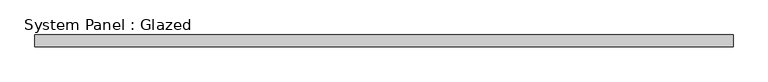
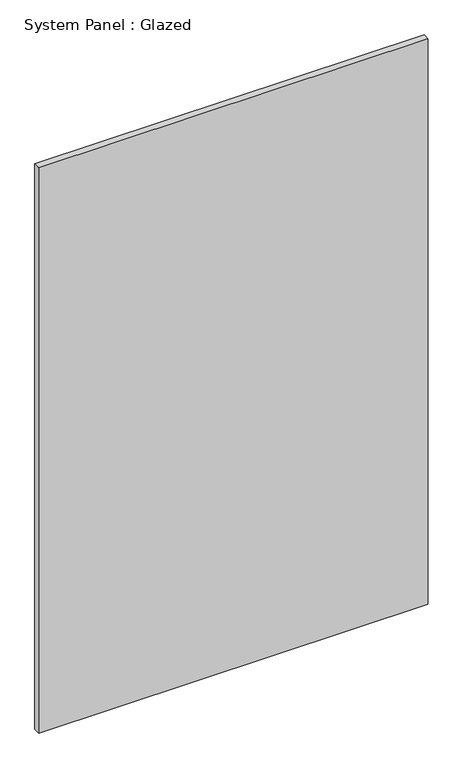
"""IFC4 building model written with IfcOpenShell, lengths in millimetres: plate geometry, System Panel : Glazed."""

import ifcopenshell
import ifcopenshell.guid

model = None  # the IFC model being written
_history = None  # IfcOwnerHistory: only IFC2X3 demands one
_inside = {}  # id of a spatial element -> (the spatial element, [elements in it])
_under = {}  # id of a project, library or spatial element -> (it, [spatial elements below it])
_declared = {}  # id of a project -> (the project, [libraries it declares])
_typed = {}  # id of a type object -> (the type object, [elements of that type])
_made_of = {}  # id of a material, layer set ... -> (it, [elements and type objects made of it])


def new_model(schema):
    """Start an empty IFC model of exactly this schema.

    Asked for "IFC4X3", IfcOpenShell would pick the latest addendum, in which some entities
    have other attributes; the version numbers below select the first issue.
    IFC2X3 requires an IfcOwnerHistory on every rooted entity: one is made here for all.
    """
    global model, _history
    if schema == "IFC4X3":
        model = ifcopenshell.file(schema_version=(4, 3, 0, 0))
    else:
        model = ifcopenshell.file(schema=schema)
    _inside.clear()
    _under.clear()
    _declared.clear()
    _typed.clear()
    _made_of.clear()
    _history = None
    if model.schema == "IFC2X3":
        org = make("IfcOrganization", Name="unknown")
        user = make(
            "IfcPersonAndOrganization",
            ThePerson=make("IfcPerson", FamilyName="unknown"),
            TheOrganization=org,
        )
        app = make(
            "IfcApplication",
            ApplicationDeveloper=org,
            Version="unknown",
            ApplicationFullName="unknown",
            ApplicationIdentifier="unknown",
        )
        _history = make(
            "IfcOwnerHistory",
            OwningUser=user,
            OwningApplication=app,
            ChangeAction="ADDED",
            CreationDate=0,
        )
    return model


def make(cls, **values):
    """One entity of the class cls with the attributes given. An attribute that is None is left unset."""
    return model.create_entity(
        cls, **{name: value for name, value in values.items() if value is not None}
    )


def rooted(cls, **values):
    """An entity with a GlobalId (a new one), such as an element, a storey or a relation."""
    return make(cls, GlobalId=ifcopenshell.guid.new(), OwnerHistory=_history, **values)


def si_unit(unit_type, name, prefix=None):
    """IfcSIUnit, for example si_unit("LENGTHUNIT", "METRE", prefix="MILLI")."""
    return make("IfcSIUnit", UnitType=unit_type, Prefix=prefix, Name=name)


def assignment(units):
    """IfcUnitAssignment: the units of a project."""
    return None if units is None else make("IfcUnitAssignment", Units=units)


def point(xyz):
    """IfcCartesianPoint."""
    return None if xyz is None else make("IfcCartesianPoint", Coordinates=xyz)


def direction(xyz):
    """IfcDirection."""
    return None if xyz is None else make("IfcDirection", DirectionRatios=xyz)


def frame(location, z_axis=None, x_axis=None):
    """IfcAxis2Placement3D, a coordinate frame: its origin and axes. An axis left out is left unset."""
    return make(
        "IfcAxis2Placement3D",
        Location=point(location),
        Axis=direction(z_axis),
        RefDirection=direction(x_axis),
    )


def origin():
    """The frame at (0, 0, 0) with its axes left unset."""
    return frame((0.0, 0.0, 0.0))


def origin_with_axes():
    """The frame at (0, 0, 0) with the z axis (0, 0, 1) and the x axis (1, 0, 0) written out."""
    return frame((0.0, 0.0, 0.0), z_axis=(0.0, 0.0, 1.0), x_axis=(1.0, 0.0, 0.0))


def place(relative_to, where):
    """IfcLocalPlacement: puts the frame where relative to a parent placement (None: the world)."""
    return make(
        "IfcLocalPlacement", PlacementRelTo=relative_to, RelativePlacement=where
    )


def context(
    kind, dimensions, precision=None, world=None, true_north=None, identifier=None
):
    """IfcGeometricRepresentationContext, for example the 3D "Model" context."""
    return make(
        "IfcGeometricRepresentationContext",
        ContextIdentifier=identifier,
        ContextType=kind,
        CoordinateSpaceDimension=dimensions,
        Precision=precision,
        WorldCoordinateSystem=world,
        TrueNorth=true_north,
    )


def project(units=None, contexts=None):
    """IfcProject with its units and contexts."""
    return rooted(
        "IfcProject",
        Name="project",
        RepresentationContexts=contexts,
        UnitsInContext=assignment(units),
    )


def spatial(cls, under=None, at=None, **own):
    """A site, building, storey or space (cls), placed at a placement, below another one or the project."""
    s = rooted(cls, ObjectPlacement=at, **own)
    if under is not None:
        _under.setdefault(under.id(), (under, []))[1].append(s)
    return s


def polyline(points):
    """IfcPolyline through the points."""
    return make("IfcPolyline", Points=[point(p) for p in points])


def outline(outer, holes=None, kind="AREA"):
    """IfcArbitraryClosedProfileDef: a profile drawn as a closed curve; with holes, ...WithVoids."""
    if holes is None:
        return make("IfcArbitraryClosedProfileDef", ProfileType=kind, OuterCurve=outer)
    return make(
        "IfcArbitraryProfileDefWithVoids",
        ProfileType=kind,
        OuterCurve=outer,
        InnerCurves=holes,
    )


def extrude(swept, where, along, depth):
    """IfcExtrudedAreaSolid: the profile swept, set in the frame where, extruded along a direction by depth."""
    return make(
        "IfcExtrudedAreaSolid",
        SweptArea=swept,
        Position=where,
        ExtrudedDirection=direction(along),
        Depth=depth,
    )


def shape(context_of_items, identifier, shape_type, items):
    """IfcShapeRepresentation: the items that make up one representation, for example the "Body"."""
    return make(
        "IfcShapeRepresentation",
        ContextOfItems=context_of_items,
        RepresentationIdentifier=identifier,
        RepresentationType=shape_type,
        Items=items,
    )


def source(mapping_origin, context_of_items, identifier, shape_type, items):
    """IfcRepresentationMap: a shape defined once, which mapped items show again and again."""
    return make(
        "IfcRepresentationMap",
        MappingOrigin=mapping_origin,
        MappedRepresentation=shape(context_of_items, identifier, shape_type, items),
    )


def transform(
    local_origin,
    x_axis=None,
    y_axis=None,
    z_axis=None,
    scale=None,
    scale2=None,
    scale3=None,
    uniform=True,
):
    """IfcCartesianTransformationOperator3D, or its non-uniform kind. x_axis, y_axis, z_axis: its Axis1, 2, 3."""
    if uniform:
        return make(
            "IfcCartesianTransformationOperator3D",
            Axis1=direction(x_axis),
            Axis2=direction(y_axis),
            LocalOrigin=point(local_origin),
            Scale=scale,
            Axis3=direction(z_axis),
        )
    return make(
        "IfcCartesianTransformationOperator3DnonUniform",
        Axis1=direction(x_axis),
        Axis2=direction(y_axis),
        LocalOrigin=point(local_origin),
        Scale=scale,
        Axis3=direction(z_axis),
        Scale2=scale2,
        Scale3=scale3,
    )


def mapped(mapping_source, mapping_target):
    """IfcMappedItem: shows the shape of a source again, moved by a transform."""
    return make(
        "IfcMappedItem", MappingSource=mapping_source, MappingTarget=mapping_target
    )


def made_of(thing, what):
    """Note that an element or type object is made of a material, layer set ...; save() writes the relation."""
    if what is not None:
        _made_of.setdefault(what.id(), (what, []))[1].append(thing)
    return thing


def element(
    cls,
    number,
    at=None,
    inside=None,
    cuts=None,
    type_object=None,
    material=None,
    context=None,
    identifier="Body",
    shape_type=None,
    held_by="IfcProductDefinitionShape",
    body=None,
    shapes=None,
    **own,
):
    """One element of the class cls, such as IfcWall. Its Tag is "e" and its number.

    at: its placement. inside: the storey or other place that contains it. cuts: it is an
    opening in that element (IfcRelVoidsElement). A single representation is given by context,
    identifier, shape_type and body (its items); several are given by shapes. held_by: the class
    of the entity that holds the representations. save() writes the other relations.
    """
    e = rooted(cls, Tag="e%d" % number, ObjectPlacement=at, **own)
    if body is not None:
        shapes = [shape(context, identifier, shape_type, body)]
    if shapes is not None:
        e.Representation = make(held_by, Representations=shapes)
    if inside is not None:
        _inside.setdefault(inside.id(), (inside, []))[1].append(e)
    if cuts is not None:
        rooted(
            "IfcRelVoidsElement", RelatingBuildingElement=cuts, RelatedOpeningElement=e
        )
    if type_object is not None:
        _typed.setdefault(type_object.id(), (type_object, []))[1].append(e)
    return made_of(e, material)


def aggregate(whole, parts):
    """IfcRelAggregates: a whole, such as a stair, and the parts it consists of."""
    return rooted("IfcRelAggregates", RelatingObject=whole, RelatedObjects=parts)


def save(model, path):
    """Write the relations noted so far, then the file.

    IfcRelAggregates (storeys below a building ...), IfcRelContainedInSpatialStructure (elements
    in a storey), IfcRelDefinesByType, IfcRelAssociatesMaterial and IfcRelDeclares: one each for
    every whole, place, type object, material and project.
    """
    for whole, parts in _under.values():
        aggregate(whole, parts)
    for where, things in _inside.values():
        rooted(
            "IfcRelContainedInSpatialStructure",
            RelatedElements=things,
            RelatingStructure=where,
        )
    for kind, things in _typed.values():
        rooted("IfcRelDefinesByType", RelatedObjects=things, RelatingType=kind)
    for what, things in _made_of.values():
        rooted("IfcRelAssociatesMaterial", RelatedObjects=things, RelatingMaterial=what)
    for by, libraries in _declared.values():
        rooted("IfcRelDeclares", RelatingContext=by, RelatedDefinitions=libraries)
    model.write(path)


def system_panel_glazed_00ce7913(model_context):
    return source(origin(), model_context, "Body", "SweptSolid", [
        extrude(outline(polyline([(750.0, -49.5), (-750.0, -49.5), (-750.0, -24.5), (750.0, -24.5), (750.0, -49.5)])), origin_with_axes(), (0.0, 0.0, 1.0), 2300.0),
    ])


if __name__ == "__main__":
    model = new_model("IFC4")
    model_context = context("Model", 3, world=origin())
    ifc_project = project(units=[si_unit("LENGTHUNIT", "METRE", prefix="MILLI")], contexts=[model_context])
    site = spatial("IfcSite", under=ifc_project)
    building = spatial("IfcBuilding", under=site)
    placement = place(None, origin())
    system_panel_glazed_shape = system_panel_glazed_00ce7913(model_context)
    element("IfcPlate", 1, ObjectType="System Panel : Glazed", at=placement, inside=building, context=model_context, shape_type="MappedRepresentation", body=[
        mapped(system_panel_glazed_shape, transform((0.0, 0.0, 0.0), x_axis=(1.0, 0.0, 0.0), y_axis=(0.0, 1.0, 0.0), z_axis=(0.0, 0.0, 1.0))),
    ])
    save(model, "model.ifc")
